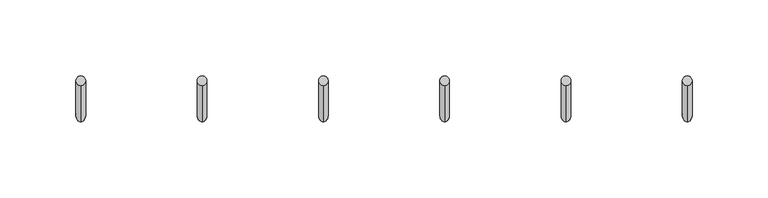
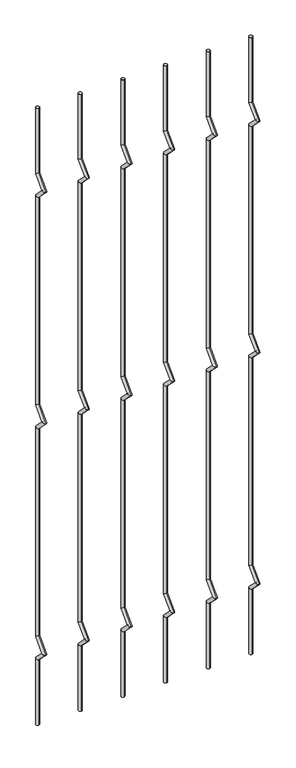
"""IFC4 building model written with IfcOpenShell, lengths in millimetres: railing geometry."""

from ifc_helpers import new_model, si_unit, frame, origin, place, context, project, spatial, circle_curve, ellipse_curve, source, transform, mapped, element, save
from ifc_brep_helpers import plane_surface, cylinder_surface, advanced_brep


def railing_db31a16c(model_context):
    return source(origin(), model_context, "Body", "AdvancedBrep", [
        advanced_brep(
        [(-16324.32938, 14808.5554142, 25.4), (-16324.32938, 14802.2054142, 25.4), (-16324.32938, 14802.2054142, 154.0342316), (-16324.32938, 14808.5554142, 156.6644878), (-16324.32938, 14778.4396458, 177.8), (-16324.32938, 14787.419902, 177.8), (-16324.32938, 14802.2054142, 201.5657684), (-16324.32938, 14808.5554142, 198.9355122), (-16324.32938, 14802.2054142, 611.2342316), (-16324.32938, 14808.5554142, 613.8644878), (-16324.32938, 14778.4396458, 635.0), (-16324.32938, 14787.419902, 635.0), (-16324.32938, 14802.2054142, 658.7657684), (-16324.32938, 14808.5554142, 656.1355122), (-16324.32938, 14802.2054142, 1068.4342316), (-16324.32938, 14808.5554142, 1071.0644878), (-16324.32938, 14778.4396458, 1092.2), (-16324.32938, 14787.419902, 1092.2), (-16324.32938, 14802.2054142, 1115.9657684), (-16324.32938, 14808.5554142, 1113.3355122), (-16324.32938, 14808.5554142, 1244.6), (-16324.32938, 14802.2054142, 1244.6)],
        [
            (0, 1, circle_curve(frame((-16324.32938, 14805.3804142, 25.4), z_axis=(0.0, 0.0, -1.0), x_axis=(0.0, -1.0, 0.0)), 3.175)),
            (1, 0, circle_curve(frame((-16324.32938, 14805.3804142, 25.4), z_axis=(0.0, 0.0, -1.0), x_axis=(0.0, -1.0, 0.0)), 3.175)),
            (1, 2),
            (2, 3, ellipse_curve(frame((-16324.32938, 14805.3804142, 155.3493597), z_axis=(0.0, 0.3826834323650955, -0.9238795325112844), x_axis=(0.0, -0.9238795325112845, -0.38268343236509544)), 3.4365952, 3.175)),
            (3, 0),
            (3, 2, ellipse_curve(frame((-16324.32938, 14805.3804142, 155.3493597), z_axis=(0.0, 0.3826834323650955, -0.9238795325112844), x_axis=(0.0, -0.9238795325112845, -0.38268343236509544)), 3.4365952, 3.175)),
            (2, 4),
            (4, 5, ellipse_curve(frame((-16324.32938, 14782.9297739, 177.8), z_axis=(0.0, 0.0, -1.0), x_axis=(0.0, 1.0, 0.0)), 4.4901281, 3.175)),
            (5, 3),
            (5, 4, ellipse_curve(frame((-16324.32938, 14782.9297739, 177.8), z_axis=(0.0, 0.0, -1.0), x_axis=(0.0, 1.0, 0.0)), 4.4901281, 3.175)),
            (4, 6),
            (6, 7, ellipse_curve(frame((-16324.32938, 14805.3804142, 200.2506403), z_axis=(0.0, -0.3826834323650839, -0.9238795325112892), x_axis=(0.0, -0.9238795325112893, 0.38268343236508373)), 3.4365952, 3.175)),
            (7, 5),
            (7, 6, ellipse_curve(frame((-16324.32938, 14805.3804142, 200.2506403), z_axis=(0.0, -0.3826834323650839, -0.9238795325112892), x_axis=(0.0, -0.9238795325112893, 0.38268343236508373)), 3.4365952, 3.175)),
            (6, 8),
            (8, 9, ellipse_curve(frame((-16324.32938, 14805.3804142, 612.5493597), z_axis=(0.0, 0.3826834323651024, -0.9238795325112816), x_axis=(0.0, -0.9238795325112816, -0.382683432365102)), 3.4365952, 3.175)),
            (9, 7),
            (9, 8, ellipse_curve(frame((-16324.32938, 14805.3804142, 612.5493597), z_axis=(0.0, 0.3826834323651024, -0.9238795325112816), x_axis=(0.0, -0.9238795325112816, -0.382683432365102)), 3.4365952, 3.175)),
            (8, 10),
            (10, 11, ellipse_curve(frame((-16324.32938, 14782.9297739, 635.0), z_axis=(0.0, 0.0, -1.0), x_axis=(0.0, 1.0, 0.0)), 4.4901281, 3.175)),
            (11, 9),
            (11, 10, ellipse_curve(frame((-16324.32938, 14782.9297739, 635.0), z_axis=(0.0, 0.0, -1.0), x_axis=(0.0, 1.0, 0.0)), 4.4901281, 3.175)),
            (10, 12),
            (12, 13, ellipse_curve(frame((-16324.32938, 14805.3804142, 657.4506403), z_axis=(0.0, -0.3826834323650771, -0.923879532511292), x_axis=(0.0, -0.9238795325112918, 0.3826834323650773)), 3.4365952, 3.175)),
            (13, 11),
            (13, 12, ellipse_curve(frame((-16324.32938, 14805.3804142, 657.4506403), z_axis=(0.0, -0.3826834323650771, -0.923879532511292), x_axis=(0.0, -0.9238795325112918, 0.3826834323650773)), 3.4365952, 3.175)),
            (12, 14),
            (14, 15, ellipse_curve(frame((-16324.32938, 14805.3804142, 1069.7493597), z_axis=(0.0, 0.3826834323650978, -0.9238795325112834), x_axis=(0.0, -0.9238795325112834, -0.382683432365098)), 3.4365952, 3.175)),
            (15, 13),
            (15, 14, ellipse_curve(frame((-16324.32938, 14805.3804142, 1069.7493597), z_axis=(0.0, 0.3826834323650978, -0.9238795325112834), x_axis=(0.0, -0.9238795325112834, -0.382683432365098)), 3.4365952, 3.175)),
            (14, 16),
            (16, 17, ellipse_curve(frame((-16324.32938, 14782.9297739, 1092.2), z_axis=(0.0, 0.0, -1.0), x_axis=(0.0, 1.0, 0.0)), 4.4901281, 3.175)),
            (17, 15),
            (17, 16, ellipse_curve(frame((-16324.32938, 14782.9297739, 1092.2), z_axis=(0.0, 0.0, -1.0), x_axis=(0.0, 1.0, 0.0)), 4.4901281, 3.175)),
            (16, 18),
            (18, 19, ellipse_curve(frame((-16324.32938, 14805.3804142, 1114.6506403), z_axis=(0.0, -0.38268343236508223, -0.9238795325112898), x_axis=(0.0, -0.92387953251129, 0.38268343236508207)), 3.4365952, 3.175)),
            (19, 17),
            (19, 18, ellipse_curve(frame((-16324.32938, 14805.3804142, 1114.6506403), z_axis=(0.0, -0.38268343236508223, -0.9238795325112898), x_axis=(0.0, -0.92387953251129, 0.38268343236508207)), 3.4365952, 3.175)),
            (20, 21, circle_curve(frame((-16324.32938, 14805.3804142, 1244.6), z_axis=(0.0, 0.0, 1.0), x_axis=(0.0, -1.0, 0.0)), 3.175)),
            (21, 20, circle_curve(frame((-16324.32938, 14805.3804142, 1244.6), z_axis=(0.0, 0.0, 1.0), x_axis=(0.0, -1.0, 0.0)), 3.175)),
            (18, 21),
            (20, 19),
        ],
        [
            plane_surface(frame((-16324.32938, 14805.3804142, 25.4), z_axis=(0.0, 0.0, -1.0), x_axis=(-1.0, 0.0, 0.0))),
            cylinder_surface(frame((-16324.32938, 14805.3804142, 25.4), z_axis=(0.0, 0.0, -1.0), x_axis=(0.0, -1.0, 0.0)), 3.175),
            cylinder_surface(frame((-16324.32938, 14805.3804142, 155.3493597), z_axis=(0.0, 0.7071067811865563, -0.7071067811865388), x_axis=(0.0, -0.7071067811865388, -0.7071067811865563)), 3.175),
            cylinder_surface(frame((-16324.32938, 14782.9297739, 177.8), z_axis=(0.0, -0.7071067811865385, -0.7071067811865568), x_axis=(0.0, -0.7071067811865568, 0.7071067811865385)), 3.175),
            cylinder_surface(frame((-16324.32938, 14805.3804142, 200.2506403), z_axis=(0.0, 0.0, -1.0), x_axis=(0.0, -1.0, 0.0)), 3.175),
            cylinder_surface(frame((-16324.32938, 14805.3804142, 612.5493597), z_axis=(0.0, 0.7071067811865669, -0.707106781186528), x_axis=(0.0, -0.707106781186528, -0.7071067811865669)), 3.175),
            cylinder_surface(frame((-16324.32938, 14782.9297739, 635.0), z_axis=(0.0, -0.7071067811865279, -0.7071067811865672), x_axis=(0.0, -0.7071067811865672, 0.7071067811865279)), 3.175),
            cylinder_surface(frame((-16324.32938, 14805.3804142, 657.4506403), z_axis=(0.0, 0.0, -1.0), x_axis=(0.0, -1.0, 0.0)), 3.175),
            cylinder_surface(frame((-16324.32938, 14805.3804142, 1069.7493597), z_axis=(0.0, 0.7071067811865601, -0.707106781186535), x_axis=(0.0, -0.707106781186535, -0.7071067811865601)), 3.175),
            cylinder_surface(frame((-16324.32938, 14782.9297739, 1092.2), z_axis=(0.0, -0.7071067811865356, -0.7071067811865596), x_axis=(0.0, -0.7071067811865596, 0.7071067811865356)), 3.175),
            plane_surface(frame((-16324.32938, 14805.3804142, 1244.6), z_axis=(0.0, 0.0, 1.0), x_axis=(-1.0, 0.0, 0.0))),
            cylinder_surface(frame((-16324.32938, 14805.3804142, 1114.6506403), z_axis=(0.0, 0.0, -1.0), x_axis=(0.0, -1.0, 0.0)), 3.175),
        ],
        [
            (0, [[1, 2]]),
            (1, [[3, 4, 5, -2]]),
            (1, [[-5, 6, -3, -1]]),
            (2, [[7, 8, 9, -4]]),
            (2, [[-9, 10, -7, -6]]),
            (3, [[11, 12, 13, -8]]),
            (3, [[-13, 14, -11, -10]]),
            (4, [[15, 16, 17, -12]]),
            (4, [[-17, 18, -15, -14]]),
            (5, [[19, 20, 21, -16]]),
            (5, [[-21, 22, -19, -18]]),
            (6, [[23, 24, 25, -20]]),
            (6, [[-25, 26, -23, -22]]),
            (7, [[27, 28, 29, -24]]),
            (7, [[-29, 30, -27, -26]]),
            (8, [[31, 32, 33, -28]]),
            (8, [[-33, 34, -31, -30]]),
            (9, [[35, 36, 37, -32]]),
            (9, [[-37, 38, -35, -34]]),
            (10, [[39, 40]]),
            (11, [[41, -39, 42, -36]]),
            (11, [[-42, -40, -41, -38]]),
        ],
    ),
        advanced_brep(
        [(-16244.4530642, 14808.5554142, 25.4), (-16244.4530642, 14802.2054142, 25.4), (-16244.4530642, 14802.2054142, 154.0342316), (-16244.4530642, 14808.5554142, 156.6644878), (-16244.4530642, 14778.4396458, 177.8), (-16244.4530642, 14787.419902, 177.8), (-16244.4530642, 14802.2054142, 201.5657684), (-16244.4530642, 14808.5554142, 198.9355122), (-16244.4530642, 14802.2054142, 611.2342316), (-16244.4530642, 14808.5554142, 613.8644878), (-16244.4530642, 14778.4396458, 635.0), (-16244.4530642, 14787.419902, 635.0), (-16244.4530642, 14802.2054142, 658.7657684), (-16244.4530642, 14808.5554142, 656.1355122), (-16244.4530642, 14802.2054142, 1068.4342316), (-16244.4530642, 14808.5554142, 1071.0644878), (-16244.4530642, 14778.4396458, 1092.2), (-16244.4530642, 14787.419902, 1092.2), (-16244.4530642, 14802.2054142, 1115.9657684), (-16244.4530642, 14808.5554142, 1113.3355122), (-16244.4530642, 14808.5554142, 1244.6), (-16244.4530642, 14802.2054142, 1244.6)],
        [
            (0, 1, circle_curve(frame((-16244.4530642, 14805.3804142, 25.4), z_axis=(0.0, 0.0, -1.0), x_axis=(0.0, -1.0, 0.0)), 3.175)),
            (1, 0, circle_curve(frame((-16244.4530642, 14805.3804142, 25.4), z_axis=(0.0, 0.0, -1.0), x_axis=(0.0, -1.0, 0.0)), 3.175)),
            (1, 2),
            (2, 3, ellipse_curve(frame((-16244.4530642, 14805.3804142, 155.3493597), z_axis=(0.0, 0.3826834323650955, -0.9238795325112844), x_axis=(0.0, -0.9238795325112845, -0.38268343236509544)), 3.4365952, 3.175)),
            (3, 0),
            (3, 2, ellipse_curve(frame((-16244.4530642, 14805.3804142, 155.3493597), z_axis=(0.0, 0.3826834323650955, -0.9238795325112844), x_axis=(0.0, -0.9238795325112845, -0.38268343236509544)), 3.4365952, 3.175)),
            (2, 4),
            (4, 5, ellipse_curve(frame((-16244.4530642, 14782.9297739, 177.8), z_axis=(0.0, 0.0, -1.0), x_axis=(0.0, 1.0, 0.0)), 4.4901281, 3.175)),
            (5, 3),
            (5, 4, ellipse_curve(frame((-16244.4530642, 14782.9297739, 177.8), z_axis=(0.0, 0.0, -1.0), x_axis=(0.0, 1.0, 0.0)), 4.4901281, 3.175)),
            (4, 6),
            (6, 7, ellipse_curve(frame((-16244.4530642, 14805.3804142, 200.2506403), z_axis=(0.0, -0.3826834323650839, -0.9238795325112892), x_axis=(0.0, -0.9238795325112893, 0.38268343236508373)), 3.4365952, 3.175)),
            (7, 5),
            (7, 6, ellipse_curve(frame((-16244.4530642, 14805.3804142, 200.2506403), z_axis=(0.0, -0.3826834323650839, -0.9238795325112892), x_axis=(0.0, -0.9238795325112893, 0.38268343236508373)), 3.4365952, 3.175)),
            (6, 8),
            (8, 9, ellipse_curve(frame((-16244.4530642, 14805.3804142, 612.5493597), z_axis=(0.0, 0.3826834323651024, -0.9238795325112816), x_axis=(0.0, -0.9238795325112816, -0.382683432365102)), 3.4365952, 3.175)),
            (9, 7),
            (9, 8, ellipse_curve(frame((-16244.4530642, 14805.3804142, 612.5493597), z_axis=(0.0, 0.3826834323651024, -0.9238795325112816), x_axis=(0.0, -0.9238795325112816, -0.382683432365102)), 3.4365952, 3.175)),
            (8, 10),
            (10, 11, ellipse_curve(frame((-16244.4530642, 14782.9297739, 635.0), z_axis=(0.0, 0.0, -1.0), x_axis=(0.0, 1.0, 0.0)), 4.4901281, 3.175)),
            (11, 9),
            (11, 10, ellipse_curve(frame((-16244.4530642, 14782.9297739, 635.0), z_axis=(0.0, 0.0, -1.0), x_axis=(0.0, 1.0, 0.0)), 4.4901281, 3.175)),
            (10, 12),
            (12, 13, ellipse_curve(frame((-16244.4530642, 14805.3804142, 657.4506403), z_axis=(0.0, -0.3826834323650771, -0.923879532511292), x_axis=(0.0, -0.9238795325112918, 0.3826834323650773)), 3.4365952, 3.175)),
            (13, 11),
            (13, 12, ellipse_curve(frame((-16244.4530642, 14805.3804142, 657.4506403), z_axis=(0.0, -0.3826834323650771, -0.923879532511292), x_axis=(0.0, -0.9238795325112918, 0.3826834323650773)), 3.4365952, 3.175)),
            (12, 14),
            (14, 15, ellipse_curve(frame((-16244.4530642, 14805.3804142, 1069.7493597), z_axis=(0.0, 0.3826834323650978, -0.9238795325112834), x_axis=(0.0, -0.9238795325112834, -0.382683432365098)), 3.4365952, 3.175)),
            (15, 13),
            (15, 14, ellipse_curve(frame((-16244.4530642, 14805.3804142, 1069.7493597), z_axis=(0.0, 0.3826834323650978, -0.9238795325112834), x_axis=(0.0, -0.9238795325112834, -0.382683432365098)), 3.4365952, 3.175)),
            (14, 16),
            (16, 17, ellipse_curve(frame((-16244.4530642, 14782.9297739, 1092.2), z_axis=(0.0, 0.0, -1.0), x_axis=(0.0, 1.0, 0.0)), 4.4901281, 3.175)),
            (17, 15),
            (17, 16, ellipse_curve(frame((-16244.4530642, 14782.9297739, 1092.2), z_axis=(0.0, 0.0, -1.0), x_axis=(0.0, 1.0, 0.0)), 4.4901281, 3.175)),
            (16, 18),
            (18, 19, ellipse_curve(frame((-16244.4530642, 14805.3804142, 1114.6506403), z_axis=(0.0, -0.38268343236508223, -0.9238795325112898), x_axis=(0.0, -0.92387953251129, 0.38268343236508207)), 3.4365952, 3.175)),
            (19, 17),
            (19, 18, ellipse_curve(frame((-16244.4530642, 14805.3804142, 1114.6506403), z_axis=(0.0, -0.38268343236508223, -0.9238795325112898), x_axis=(0.0, -0.92387953251129, 0.38268343236508207)), 3.4365952, 3.175)),
            (20, 21, circle_curve(frame((-16244.4530642, 14805.3804142, 1244.6), z_axis=(0.0, 0.0, 1.0), x_axis=(0.0, -1.0, 0.0)), 3.175)),
            (21, 20, circle_curve(frame((-16244.4530642, 14805.3804142, 1244.6), z_axis=(0.0, 0.0, 1.0), x_axis=(0.0, -1.0, 0.0)), 3.175)),
            (18, 21),
            (20, 19),
        ],
        [
            plane_surface(frame((-16244.4530642, 14805.3804142, 25.4), z_axis=(0.0, 0.0, -1.0), x_axis=(-1.0, 0.0, 0.0))),
            cylinder_surface(frame((-16244.4530642, 14805.3804142, 25.4), z_axis=(0.0, 0.0, -1.0), x_axis=(0.0, -1.0, 0.0)), 3.175),
            cylinder_surface(frame((-16244.4530642, 14805.3804142, 155.3493597), z_axis=(0.0, 0.7071067811865563, -0.7071067811865388), x_axis=(0.0, -0.7071067811865388, -0.7071067811865563)), 3.175),
            cylinder_surface(frame((-16244.4530642, 14782.9297739, 177.8), z_axis=(0.0, -0.7071067811865385, -0.7071067811865568), x_axis=(0.0, -0.7071067811865568, 0.7071067811865385)), 3.175),
            cylinder_surface(frame((-16244.4530642, 14805.3804142, 200.2506403), z_axis=(0.0, 0.0, -1.0), x_axis=(0.0, -1.0, 0.0)), 3.175),
            cylinder_surface(frame((-16244.4530642, 14805.3804142, 612.5493597), z_axis=(0.0, 0.7071067811865669, -0.707106781186528), x_axis=(0.0, -0.707106781186528, -0.7071067811865669)), 3.175),
            cylinder_surface(frame((-16244.4530642, 14782.9297739, 635.0), z_axis=(0.0, -0.7071067811865279, -0.7071067811865672), x_axis=(0.0, -0.7071067811865672, 0.7071067811865279)), 3.175),
            cylinder_surface(frame((-16244.4530642, 14805.3804142, 657.4506403), z_axis=(0.0, 0.0, -1.0), x_axis=(0.0, -1.0, 0.0)), 3.175),
            cylinder_surface(frame((-16244.4530642, 14805.3804142, 1069.7493597), z_axis=(0.0, 0.7071067811865601, -0.707106781186535), x_axis=(0.0, -0.707106781186535, -0.7071067811865601)), 3.175),
            cylinder_surface(frame((-16244.4530642, 14782.9297739, 1092.2), z_axis=(0.0, -0.7071067811865356, -0.7071067811865596), x_axis=(0.0, -0.7071067811865596, 0.7071067811865356)), 3.175),
            plane_surface(frame((-16244.4530642, 14805.3804142, 1244.6), z_axis=(0.0, 0.0, 1.0), x_axis=(-1.0, 0.0, 0.0))),
            cylinder_surface(frame((-16244.4530642, 14805.3804142, 1114.6506403), z_axis=(0.0, 0.0, -1.0), x_axis=(0.0, -1.0, 0.0)), 3.175),
        ],
        [
            (0, [[1, 2]]),
            (1, [[3, 4, 5, -2]]),
            (1, [[-5, 6, -3, -1]]),
            (2, [[7, 8, 9, -4]]),
            (2, [[-9, 10, -7, -6]]),
            (3, [[11, 12, 13, -8]]),
            (3, [[-13, 14, -11, -10]]),
            (4, [[15, 16, 17, -12]]),
            (4, [[-17, 18, -15, -14]]),
            (5, [[19, 20, 21, -16]]),
            (5, [[-21, 22, -19, -18]]),
            (6, [[23, 24, 25, -20]]),
            (6, [[-25, 26, -23, -22]]),
            (7, [[27, 28, 29, -24]]),
            (7, [[-29, 30, -27, -26]]),
            (8, [[31, 32, 33, -28]]),
            (8, [[-33, 34, -31, -30]]),
            (9, [[35, 36, 37, -32]]),
            (9, [[-37, 38, -35, -34]]),
            (10, [[39, 40]]),
            (11, [[41, -39, 42, -36]]),
            (11, [[-42, -40, -41, -38]]),
        ],
    ),
        advanced_brep(
        [(-16164.5767484, 14808.5554142, 25.4), (-16164.5767484, 14802.2054142, 25.4), (-16164.5767484, 14802.2054142, 154.0342316), (-16164.5767484, 14808.5554142, 156.6644878), (-16164.5767484, 14778.4396458, 177.8), (-16164.5767484, 14787.419902, 177.8), (-16164.5767484, 14802.2054142, 201.5657684), (-16164.5767484, 14808.5554142, 198.9355122), (-16164.5767484, 14802.2054142, 611.2342316), (-16164.5767484, 14808.5554142, 613.8644878), (-16164.5767484, 14778.4396458, 635.0), (-16164.5767484, 14787.419902, 635.0), (-16164.5767484, 14802.2054142, 658.7657684), (-16164.5767484, 14808.5554142, 656.1355122), (-16164.5767484, 14802.2054142, 1068.4342316), (-16164.5767484, 14808.5554142, 1071.0644878), (-16164.5767484, 14778.4396458, 1092.2), (-16164.5767484, 14787.419902, 1092.2), (-16164.5767484, 14802.2054142, 1115.9657684), (-16164.5767484, 14808.5554142, 1113.3355122), (-16164.5767484, 14808.5554142, 1244.6), (-16164.5767484, 14802.2054142, 1244.6)],
        [
            (0, 1, circle_curve(frame((-16164.5767484, 14805.3804142, 25.4), z_axis=(0.0, 0.0, -1.0), x_axis=(0.0, -1.0, 0.0)), 3.175)),
            (1, 0, circle_curve(frame((-16164.5767484, 14805.3804142, 25.4), z_axis=(0.0, 0.0, -1.0), x_axis=(0.0, -1.0, 0.0)), 3.175)),
            (1, 2),
            (2, 3, ellipse_curve(frame((-16164.5767484, 14805.3804142, 155.3493597), z_axis=(0.0, 0.3826834323650955, -0.9238795325112844), x_axis=(0.0, -0.9238795325112845, -0.38268343236509544)), 3.4365952, 3.175)),
            (3, 0),
            (3, 2, ellipse_curve(frame((-16164.5767484, 14805.3804142, 155.3493597), z_axis=(0.0, 0.3826834323650955, -0.9238795325112844), x_axis=(0.0, -0.9238795325112845, -0.38268343236509544)), 3.4365952, 3.175)),
            (2, 4),
            (4, 5, ellipse_curve(frame((-16164.5767484, 14782.9297739, 177.8), z_axis=(0.0, 0.0, -1.0), x_axis=(0.0, 1.0, 0.0)), 4.4901281, 3.175)),
            (5, 3),
            (5, 4, ellipse_curve(frame((-16164.5767484, 14782.9297739, 177.8), z_axis=(0.0, 0.0, -1.0), x_axis=(0.0, 1.0, 0.0)), 4.4901281, 3.175)),
            (4, 6),
            (6, 7, ellipse_curve(frame((-16164.5767484, 14805.3804142, 200.2506403), z_axis=(0.0, -0.3826834323650839, -0.9238795325112892), x_axis=(0.0, -0.9238795325112893, 0.38268343236508373)), 3.4365952, 3.175)),
            (7, 5),
            (7, 6, ellipse_curve(frame((-16164.5767484, 14805.3804142, 200.2506403), z_axis=(0.0, -0.3826834323650839, -0.9238795325112892), x_axis=(0.0, -0.9238795325112893, 0.38268343236508373)), 3.4365952, 3.175)),
            (6, 8),
            (8, 9, ellipse_curve(frame((-16164.5767484, 14805.3804142, 612.5493597), z_axis=(0.0, 0.3826834323651024, -0.9238795325112816), x_axis=(0.0, -0.9238795325112816, -0.382683432365102)), 3.4365952, 3.175)),
            (9, 7),
            (9, 8, ellipse_curve(frame((-16164.5767484, 14805.3804142, 612.5493597), z_axis=(0.0, 0.3826834323651024, -0.9238795325112816), x_axis=(0.0, -0.9238795325112816, -0.382683432365102)), 3.4365952, 3.175)),
            (8, 10),
            (10, 11, ellipse_curve(frame((-16164.5767484, 14782.9297739, 635.0), z_axis=(0.0, 0.0, -1.0), x_axis=(0.0, 1.0, 0.0)), 4.4901281, 3.175)),
            (11, 9),
            (11, 10, ellipse_curve(frame((-16164.5767484, 14782.9297739, 635.0), z_axis=(0.0, 0.0, -1.0), x_axis=(0.0, 1.0, 0.0)), 4.4901281, 3.175)),
            (10, 12),
            (12, 13, ellipse_curve(frame((-16164.5767484, 14805.3804142, 657.4506403), z_axis=(0.0, -0.3826834323650771, -0.923879532511292), x_axis=(0.0, -0.9238795325112918, 0.3826834323650773)), 3.4365952, 3.175)),
            (13, 11),
            (13, 12, ellipse_curve(frame((-16164.5767484, 14805.3804142, 657.4506403), z_axis=(0.0, -0.3826834323650771, -0.923879532511292), x_axis=(0.0, -0.9238795325112918, 0.3826834323650773)), 3.4365952, 3.175)),
            (12, 14),
            (14, 15, ellipse_curve(frame((-16164.5767484, 14805.3804142, 1069.7493597), z_axis=(0.0, 0.3826834323650978, -0.9238795325112834), x_axis=(0.0, -0.9238795325112834, -0.382683432365098)), 3.4365952, 3.175)),
            (15, 13),
            (15, 14, ellipse_curve(frame((-16164.5767484, 14805.3804142, 1069.7493597), z_axis=(0.0, 0.3826834323650978, -0.9238795325112834), x_axis=(0.0, -0.9238795325112834, -0.382683432365098)), 3.4365952, 3.175)),
            (14, 16),
            (16, 17, ellipse_curve(frame((-16164.5767484, 14782.9297739, 1092.2), z_axis=(0.0, 0.0, -1.0), x_axis=(0.0, 1.0, 0.0)), 4.4901281, 3.175)),
            (17, 15),
            (17, 16, ellipse_curve(frame((-16164.5767484, 14782.9297739, 1092.2), z_axis=(0.0, 0.0, -1.0), x_axis=(0.0, 1.0, 0.0)), 4.4901281, 3.175)),
            (16, 18),
            (18, 19, ellipse_curve(frame((-16164.5767484, 14805.3804142, 1114.6506403), z_axis=(0.0, -0.38268343236508223, -0.9238795325112898), x_axis=(0.0, -0.92387953251129, 0.38268343236508207)), 3.4365952, 3.175)),
            (19, 17),
            (19, 18, ellipse_curve(frame((-16164.5767484, 14805.3804142, 1114.6506403), z_axis=(0.0, -0.38268343236508223, -0.9238795325112898), x_axis=(0.0, -0.92387953251129, 0.38268343236508207)), 3.4365952, 3.175)),
            (20, 21, circle_curve(frame((-16164.5767484, 14805.3804142, 1244.6), z_axis=(0.0, 0.0, 1.0), x_axis=(0.0, -1.0, 0.0)), 3.175)),
            (21, 20, circle_curve(frame((-16164.5767484, 14805.3804142, 1244.6), z_axis=(0.0, 0.0, 1.0), x_axis=(0.0, -1.0, 0.0)), 3.175)),
            (18, 21),
            (20, 19),
        ],
        [
            plane_surface(frame((-16164.5767484, 14805.3804142, 25.4), z_axis=(0.0, 0.0, -1.0), x_axis=(-1.0, 0.0, 0.0))),
            cylinder_surface(frame((-16164.5767484, 14805.3804142, 25.4), z_axis=(0.0, 0.0, -1.0), x_axis=(0.0, -1.0, 0.0)), 3.175),
            cylinder_surface(frame((-16164.5767484, 14805.3804142, 155.3493597), z_axis=(0.0, 0.7071067811865563, -0.7071067811865388), x_axis=(0.0, -0.7071067811865388, -0.7071067811865563)), 3.175),
            cylinder_surface(frame((-16164.5767484, 14782.9297739, 177.8), z_axis=(0.0, -0.7071067811865385, -0.7071067811865568), x_axis=(0.0, -0.7071067811865568, 0.7071067811865385)), 3.175),
            cylinder_surface(frame((-16164.5767484, 14805.3804142, 200.2506403), z_axis=(0.0, 0.0, -1.0), x_axis=(0.0, -1.0, 0.0)), 3.175),
            cylinder_surface(frame((-16164.5767484, 14805.3804142, 612.5493597), z_axis=(0.0, 0.7071067811865669, -0.707106781186528), x_axis=(0.0, -0.707106781186528, -0.7071067811865669)), 3.175),
            cylinder_surface(frame((-16164.5767484, 14782.9297739, 635.0), z_axis=(0.0, -0.7071067811865279, -0.7071067811865672), x_axis=(0.0, -0.7071067811865672, 0.7071067811865279)), 3.175),
            cylinder_surface(frame((-16164.5767484, 14805.3804142, 657.4506403), z_axis=(0.0, 0.0, -1.0), x_axis=(0.0, -1.0, 0.0)), 3.175),
            cylinder_surface(frame((-16164.5767484, 14805.3804142, 1069.7493597), z_axis=(0.0, 0.7071067811865601, -0.707106781186535), x_axis=(0.0, -0.707106781186535, -0.7071067811865601)), 3.175),
            cylinder_surface(frame((-16164.5767484, 14782.9297739, 1092.2), z_axis=(0.0, -0.7071067811865356, -0.7071067811865596), x_axis=(0.0, -0.7071067811865596, 0.7071067811865356)), 3.175),
            plane_surface(frame((-16164.5767484, 14805.3804142, 1244.6), z_axis=(0.0, 0.0, 1.0), x_axis=(-1.0, 0.0, 0.0))),
            cylinder_surface(frame((-16164.5767484, 14805.3804142, 1114.6506403), z_axis=(0.0, 0.0, -1.0), x_axis=(0.0, -1.0, 0.0)), 3.175),
        ],
        [
            (0, [[1, 2]]),
            (1, [[3, 4, 5, -2]]),
            (1, [[-5, 6, -3, -1]]),
            (2, [[7, 8, 9, -4]]),
            (2, [[-9, 10, -7, -6]]),
            (3, [[11, 12, 13, -8]]),
            (3, [[-13, 14, -11, -10]]),
            (4, [[15, 16, 17, -12]]),
            (4, [[-17, 18, -15, -14]]),
            (5, [[19, 20, 21, -16]]),
            (5, [[-21, 22, -19, -18]]),
            (6, [[23, 24, 25, -20]]),
            (6, [[-25, 26, -23, -22]]),
            (7, [[27, 28, 29, -24]]),
            (7, [[-29, 30, -27, -26]]),
            (8, [[31, 32, 33, -28]]),
            (8, [[-33, 34, -31, -30]]),
            (9, [[35, 36, 37, -32]]),
            (9, [[-37, 38, -35, -34]]),
            (10, [[39, 40]]),
            (11, [[41, -39, 42, -36]]),
            (11, [[-42, -40, -41, -38]]),
        ],
    ),
        advanced_brep(
        [(-16084.7004326, 14808.5554142, 25.4), (-16084.7004326, 14802.2054142, 25.4), (-16084.7004326, 14802.2054142, 154.0342316), (-16084.7004326, 14808.5554142, 156.6644878), (-16084.7004326, 14778.4396458, 177.8), (-16084.7004326, 14787.419902, 177.8), (-16084.7004326, 14802.2054142, 201.5657684), (-16084.7004326, 14808.5554142, 198.9355122), (-16084.7004326, 14802.2054142, 611.2342316), (-16084.7004326, 14808.5554142, 613.8644878), (-16084.7004326, 14778.4396458, 635.0), (-16084.7004326, 14787.419902, 635.0), (-16084.7004326, 14802.2054142, 658.7657684), (-16084.7004326, 14808.5554142, 656.1355122), (-16084.7004326, 14802.2054142, 1068.4342316), (-16084.7004326, 14808.5554142, 1071.0644878), (-16084.7004326, 14778.4396458, 1092.2), (-16084.7004326, 14787.419902, 1092.2), (-16084.7004326, 14802.2054142, 1115.9657684), (-16084.7004326, 14808.5554142, 1113.3355122), (-16084.7004326, 14808.5554142, 1244.6), (-16084.7004326, 14802.2054142, 1244.6)],
        [
            (0, 1, circle_curve(frame((-16084.7004326, 14805.3804142, 25.4), z_axis=(0.0, 0.0, -1.0), x_axis=(0.0, -1.0, 0.0)), 3.175)),
            (1, 0, circle_curve(frame((-16084.7004326, 14805.3804142, 25.4), z_axis=(0.0, 0.0, -1.0), x_axis=(0.0, -1.0, 0.0)), 3.175)),
            (1, 2),
            (2, 3, ellipse_curve(frame((-16084.7004326, 14805.3804142, 155.3493597), z_axis=(0.0, 0.3826834323650955, -0.9238795325112844), x_axis=(0.0, -0.9238795325112845, -0.38268343236509544)), 3.4365952, 3.175)),
            (3, 0),
            (3, 2, ellipse_curve(frame((-16084.7004326, 14805.3804142, 155.3493597), z_axis=(0.0, 0.3826834323650955, -0.9238795325112844), x_axis=(0.0, -0.9238795325112845, -0.38268343236509544)), 3.4365952, 3.175)),
            (2, 4),
            (4, 5, ellipse_curve(frame((-16084.7004326, 14782.9297739, 177.8), z_axis=(0.0, 0.0, -1.0), x_axis=(0.0, 1.0, 0.0)), 4.4901281, 3.175)),
            (5, 3),
            (5, 4, ellipse_curve(frame((-16084.7004326, 14782.9297739, 177.8), z_axis=(0.0, 0.0, -1.0), x_axis=(0.0, 1.0, 0.0)), 4.4901281, 3.175)),
            (4, 6),
            (6, 7, ellipse_curve(frame((-16084.7004326, 14805.3804142, 200.2506403), z_axis=(0.0, -0.3826834323650839, -0.9238795325112892), x_axis=(0.0, -0.9238795325112893, 0.38268343236508373)), 3.4365952, 3.175)),
            (7, 5),
            (7, 6, ellipse_curve(frame((-16084.7004326, 14805.3804142, 200.2506403), z_axis=(0.0, -0.3826834323650839, -0.9238795325112892), x_axis=(0.0, -0.9238795325112893, 0.38268343236508373)), 3.4365952, 3.175)),
            (6, 8),
            (8, 9, ellipse_curve(frame((-16084.7004326, 14805.3804142, 612.5493597), z_axis=(0.0, 0.3826834323651024, -0.9238795325112816), x_axis=(0.0, -0.9238795325112816, -0.382683432365102)), 3.4365952, 3.175)),
            (9, 7),
            (9, 8, ellipse_curve(frame((-16084.7004326, 14805.3804142, 612.5493597), z_axis=(0.0, 0.3826834323651024, -0.9238795325112816), x_axis=(0.0, -0.9238795325112816, -0.382683432365102)), 3.4365952, 3.175)),
            (8, 10),
            (10, 11, ellipse_curve(frame((-16084.7004326, 14782.9297739, 635.0), z_axis=(0.0, 0.0, -1.0), x_axis=(0.0, 1.0, 0.0)), 4.4901281, 3.175)),
            (11, 9),
            (11, 10, ellipse_curve(frame((-16084.7004326, 14782.9297739, 635.0), z_axis=(0.0, 0.0, -1.0), x_axis=(0.0, 1.0, 0.0)), 4.4901281, 3.175)),
            (10, 12),
            (12, 13, ellipse_curve(frame((-16084.7004326, 14805.3804142, 657.4506403), z_axis=(0.0, -0.3826834323650771, -0.923879532511292), x_axis=(0.0, -0.9238795325112918, 0.3826834323650773)), 3.4365952, 3.175)),
            (13, 11),
            (13, 12, ellipse_curve(frame((-16084.7004326, 14805.3804142, 657.4506403), z_axis=(0.0, -0.3826834323650771, -0.923879532511292), x_axis=(0.0, -0.9238795325112918, 0.3826834323650773)), 3.4365952, 3.175)),
            (12, 14),
            (14, 15, ellipse_curve(frame((-16084.7004326, 14805.3804142, 1069.7493597), z_axis=(0.0, 0.3826834323650978, -0.9238795325112834), x_axis=(0.0, -0.9238795325112834, -0.382683432365098)), 3.4365952, 3.175)),
            (15, 13),
            (15, 14, ellipse_curve(frame((-16084.7004326, 14805.3804142, 1069.7493597), z_axis=(0.0, 0.3826834323650978, -0.9238795325112834), x_axis=(0.0, -0.9238795325112834, -0.382683432365098)), 3.4365952, 3.175)),
            (14, 16),
            (16, 17, ellipse_curve(frame((-16084.7004326, 14782.9297739, 1092.2), z_axis=(0.0, 0.0, -1.0), x_axis=(0.0, 1.0, 0.0)), 4.4901281, 3.175)),
            (17, 15),
            (17, 16, ellipse_curve(frame((-16084.7004326, 14782.9297739, 1092.2), z_axis=(0.0, 0.0, -1.0), x_axis=(0.0, 1.0, 0.0)), 4.4901281, 3.175)),
            (16, 18),
            (18, 19, ellipse_curve(frame((-16084.7004326, 14805.3804142, 1114.6506403), z_axis=(0.0, -0.38268343236508223, -0.9238795325112898), x_axis=(0.0, -0.92387953251129, 0.38268343236508207)), 3.4365952, 3.175)),
            (19, 17),
            (19, 18, ellipse_curve(frame((-16084.7004326, 14805.3804142, 1114.6506403), z_axis=(0.0, -0.38268343236508223, -0.9238795325112898), x_axis=(0.0, -0.92387953251129, 0.38268343236508207)), 3.4365952, 3.175)),
            (20, 21, circle_curve(frame((-16084.7004326, 14805.3804142, 1244.6), z_axis=(0.0, 0.0, 1.0), x_axis=(0.0, -1.0, 0.0)), 3.175)),
            (21, 20, circle_curve(frame((-16084.7004326, 14805.3804142, 1244.6), z_axis=(0.0, 0.0, 1.0), x_axis=(0.0, -1.0, 0.0)), 3.175)),
            (18, 21),
            (20, 19),
        ],
        [
            plane_surface(frame((-16084.7004326, 14805.3804142, 25.4), z_axis=(0.0, 0.0, -1.0), x_axis=(-1.0, 0.0, 0.0))),
            cylinder_surface(frame((-16084.7004326, 14805.3804142, 25.4), z_axis=(0.0, 0.0, -1.0), x_axis=(0.0, -1.0, 0.0)), 3.175),
            cylinder_surface(frame((-16084.7004326, 14805.3804142, 155.3493597), z_axis=(0.0, 0.7071067811865563, -0.7071067811865388), x_axis=(0.0, -0.7071067811865388, -0.7071067811865563)), 3.175),
            cylinder_surface(frame((-16084.7004326, 14782.9297739, 177.8), z_axis=(0.0, -0.7071067811865385, -0.7071067811865568), x_axis=(0.0, -0.7071067811865568, 0.7071067811865385)), 3.175),
            cylinder_surface(frame((-16084.7004326, 14805.3804142, 200.2506403), z_axis=(0.0, 0.0, -1.0), x_axis=(0.0, -1.0, 0.0)), 3.175),
            cylinder_surface(frame((-16084.7004326, 14805.3804142, 612.5493597), z_axis=(0.0, 0.7071067811865669, -0.707106781186528), x_axis=(0.0, -0.707106781186528, -0.7071067811865669)), 3.175),
            cylinder_surface(frame((-16084.7004326, 14782.9297739, 635.0), z_axis=(0.0, -0.7071067811865279, -0.7071067811865672), x_axis=(0.0, -0.7071067811865672, 0.7071067811865279)), 3.175),
            cylinder_surface(frame((-16084.7004326, 14805.3804142, 657.4506403), z_axis=(0.0, 0.0, -1.0), x_axis=(0.0, -1.0, 0.0)), 3.175),
            cylinder_surface(frame((-16084.7004326, 14805.3804142, 1069.7493597), z_axis=(0.0, 0.7071067811865601, -0.707106781186535), x_axis=(0.0, -0.707106781186535, -0.7071067811865601)), 3.175),
            cylinder_surface(frame((-16084.7004326, 14782.9297739, 1092.2), z_axis=(0.0, -0.7071067811865356, -0.7071067811865596), x_axis=(0.0, -0.7071067811865596, 0.7071067811865356)), 3.175),
            plane_surface(frame((-16084.7004326, 14805.3804142, 1244.6), z_axis=(0.0, 0.0, 1.0), x_axis=(-1.0, 0.0, 0.0))),
            cylinder_surface(frame((-16084.7004326, 14805.3804142, 1114.6506403), z_axis=(0.0, 0.0, -1.0), x_axis=(0.0, -1.0, 0.0)), 3.175),
        ],
        [
            (0, [[1, 2]]),
            (1, [[3, 4, 5, -2]]),
            (1, [[-5, 6, -3, -1]]),
            (2, [[7, 8, 9, -4]]),
            (2, [[-9, 10, -7, -6]]),
            (3, [[11, 12, 13, -8]]),
            (3, [[-13, 14, -11, -10]]),
            (4, [[15, 16, 17, -12]]),
            (4, [[-17, 18, -15, -14]]),
            (5, [[19, 20, 21, -16]]),
            (5, [[-21, 22, -19, -18]]),
            (6, [[23, 24, 25, -20]]),
            (6, [[-25, 26, -23, -22]]),
            (7, [[27, 28, 29, -24]]),
            (7, [[-29, 30, -27, -26]]),
            (8, [[31, 32, 33, -28]]),
            (8, [[-33, 34, -31, -30]]),
            (9, [[35, 36, 37, -32]]),
            (9, [[-37, 38, -35, -34]]),
            (10, [[39, 40]]),
            (11, [[41, -39, 42, -36]]),
            (11, [[-42, -40, -41, -38]]),
        ],
    ),
        advanced_brep(
        [(-16004.8241168, 14808.5554142, 25.4), (-16004.8241168, 14802.2054142, 25.4), (-16004.8241168, 14802.2054142, 154.0342316), (-16004.8241168, 14808.5554142, 156.6644878), (-16004.8241168, 14778.4396458, 177.8), (-16004.8241168, 14787.419902, 177.8), (-16004.8241168, 14802.2054142, 201.5657684), (-16004.8241168, 14808.5554142, 198.9355122), (-16004.8241168, 14802.2054142, 611.2342316), (-16004.8241168, 14808.5554142, 613.8644878), (-16004.8241168, 14778.4396458, 635.0), (-16004.8241168, 14787.419902, 635.0), (-16004.8241168, 14802.2054142, 658.7657684), (-16004.8241168, 14808.5554142, 656.1355122), (-16004.8241168, 14802.2054142, 1068.4342316), (-16004.8241168, 14808.5554142, 1071.0644878), (-16004.8241168, 14778.4396458, 1092.2), (-16004.8241168, 14787.419902, 1092.2), (-16004.8241168, 14802.2054142, 1115.9657684), (-16004.8241168, 14808.5554142, 1113.3355122), (-16004.8241168, 14808.5554142, 1244.6), (-16004.8241168, 14802.2054142, 1244.6)],
        [
            (0, 1, circle_curve(frame((-16004.8241168, 14805.3804142, 25.4), z_axis=(0.0, 0.0, -1.0), x_axis=(0.0, -1.0, 0.0)), 3.175)),
            (1, 0, circle_curve(frame((-16004.8241168, 14805.3804142, 25.4), z_axis=(0.0, 0.0, -1.0), x_axis=(0.0, -1.0, 0.0)), 3.175)),
            (1, 2),
            (2, 3, ellipse_curve(frame((-16004.8241168, 14805.3804142, 155.3493597), z_axis=(0.0, 0.3826834323650955, -0.9238795325112844), x_axis=(0.0, -0.9238795325112845, -0.38268343236509544)), 3.4365952, 3.175)),
            (3, 0),
            (3, 2, ellipse_curve(frame((-16004.8241168, 14805.3804142, 155.3493597), z_axis=(0.0, 0.3826834323650955, -0.9238795325112844), x_axis=(0.0, -0.9238795325112845, -0.38268343236509544)), 3.4365952, 3.175)),
            (2, 4),
            (4, 5, ellipse_curve(frame((-16004.8241168, 14782.9297739, 177.8), z_axis=(0.0, 0.0, -1.0), x_axis=(0.0, 1.0, 0.0)), 4.4901281, 3.175)),
            (5, 3),
            (5, 4, ellipse_curve(frame((-16004.8241168, 14782.9297739, 177.8), z_axis=(0.0, 0.0, -1.0), x_axis=(0.0, 1.0, 0.0)), 4.4901281, 3.175)),
            (4, 6),
            (6, 7, ellipse_curve(frame((-16004.8241168, 14805.3804142, 200.2506403), z_axis=(0.0, -0.3826834323650839, -0.9238795325112892), x_axis=(0.0, -0.9238795325112893, 0.38268343236508373)), 3.4365952, 3.175)),
            (7, 5),
            (7, 6, ellipse_curve(frame((-16004.8241168, 14805.3804142, 200.2506403), z_axis=(0.0, -0.3826834323650839, -0.9238795325112892), x_axis=(0.0, -0.9238795325112893, 0.38268343236508373)), 3.4365952, 3.175)),
            (6, 8),
            (8, 9, ellipse_curve(frame((-16004.8241168, 14805.3804142, 612.5493597), z_axis=(0.0, 0.3826834323651024, -0.9238795325112816), x_axis=(0.0, -0.9238795325112816, -0.382683432365102)), 3.4365952, 3.175)),
            (9, 7),
            (9, 8, ellipse_curve(frame((-16004.8241168, 14805.3804142, 612.5493597), z_axis=(0.0, 0.3826834323651024, -0.9238795325112816), x_axis=(0.0, -0.9238795325112816, -0.382683432365102)), 3.4365952, 3.175)),
            (8, 10),
            (10, 11, ellipse_curve(frame((-16004.8241168, 14782.9297739, 635.0), z_axis=(0.0, 0.0, -1.0), x_axis=(0.0, 1.0, 0.0)), 4.4901281, 3.175)),
            (11, 9),
            (11, 10, ellipse_curve(frame((-16004.8241168, 14782.9297739, 635.0), z_axis=(0.0, 0.0, -1.0), x_axis=(0.0, 1.0, 0.0)), 4.4901281, 3.175)),
            (10, 12),
            (12, 13, ellipse_curve(frame((-16004.8241168, 14805.3804142, 657.4506403), z_axis=(0.0, -0.3826834323650771, -0.923879532511292), x_axis=(0.0, -0.9238795325112918, 0.3826834323650773)), 3.4365952, 3.175)),
            (13, 11),
            (13, 12, ellipse_curve(frame((-16004.8241168, 14805.3804142, 657.4506403), z_axis=(0.0, -0.3826834323650771, -0.923879532511292), x_axis=(0.0, -0.9238795325112918, 0.3826834323650773)), 3.4365952, 3.175)),
            (12, 14),
            (14, 15, ellipse_curve(frame((-16004.8241168, 14805.3804142, 1069.7493597), z_axis=(0.0, 0.3826834323650978, -0.9238795325112834), x_axis=(0.0, -0.9238795325112834, -0.382683432365098)), 3.4365952, 3.175)),
            (15, 13),
            (15, 14, ellipse_curve(frame((-16004.8241168, 14805.3804142, 1069.7493597), z_axis=(0.0, 0.3826834323650978, -0.9238795325112834), x_axis=(0.0, -0.9238795325112834, -0.382683432365098)), 3.4365952, 3.175)),
            (14, 16),
            (16, 17, ellipse_curve(frame((-16004.8241168, 14782.9297739, 1092.2), z_axis=(0.0, 0.0, -1.0), x_axis=(0.0, 1.0, 0.0)), 4.4901281, 3.175)),
            (17, 15),
            (17, 16, ellipse_curve(frame((-16004.8241168, 14782.9297739, 1092.2), z_axis=(0.0, 0.0, -1.0), x_axis=(0.0, 1.0, 0.0)), 4.4901281, 3.175)),
            (16, 18),
            (18, 19, ellipse_curve(frame((-16004.8241168, 14805.3804142, 1114.6506403), z_axis=(0.0, -0.38268343236508223, -0.9238795325112898), x_axis=(0.0, -0.92387953251129, 0.38268343236508207)), 3.4365952, 3.175)),
            (19, 17),
            (19, 18, ellipse_curve(frame((-16004.8241168, 14805.3804142, 1114.6506403), z_axis=(0.0, -0.38268343236508223, -0.9238795325112898), x_axis=(0.0, -0.92387953251129, 0.38268343236508207)), 3.4365952, 3.175)),
            (20, 21, circle_curve(frame((-16004.8241168, 14805.3804142, 1244.6), z_axis=(0.0, 0.0, 1.0), x_axis=(0.0, -1.0, 0.0)), 3.175)),
            (21, 20, circle_curve(frame((-16004.8241168, 14805.3804142, 1244.6), z_axis=(0.0, 0.0, 1.0), x_axis=(0.0, -1.0, 0.0)), 3.175)),
            (18, 21),
            (20, 19),
        ],
        [
            plane_surface(frame((-16004.8241168, 14805.3804142, 25.4), z_axis=(0.0, 0.0, -1.0), x_axis=(-1.0, 0.0, 0.0))),
            cylinder_surface(frame((-16004.8241168, 14805.3804142, 25.4), z_axis=(0.0, 0.0, -1.0), x_axis=(0.0, -1.0, 0.0)), 3.175),
            cylinder_surface(frame((-16004.8241168, 14805.3804142, 155.3493597), z_axis=(0.0, 0.7071067811865563, -0.7071067811865388), x_axis=(0.0, -0.7071067811865388, -0.7071067811865563)), 3.175),
            cylinder_surface(frame((-16004.8241168, 14782.9297739, 177.8), z_axis=(0.0, -0.7071067811865385, -0.7071067811865568), x_axis=(0.0, -0.7071067811865568, 0.7071067811865385)), 3.175),
            cylinder_surface(frame((-16004.8241168, 14805.3804142, 200.2506403), z_axis=(0.0, 0.0, -1.0), x_axis=(0.0, -1.0, 0.0)), 3.175),
            cylinder_surface(frame((-16004.8241168, 14805.3804142, 612.5493597), z_axis=(0.0, 0.7071067811865669, -0.707106781186528), x_axis=(0.0, -0.707106781186528, -0.7071067811865669)), 3.175),
            cylinder_surface(frame((-16004.8241168, 14782.9297739, 635.0), z_axis=(0.0, -0.7071067811865279, -0.7071067811865672), x_axis=(0.0, -0.7071067811865672, 0.7071067811865279)), 3.175),
            cylinder_surface(frame((-16004.8241168, 14805.3804142, 657.4506403), z_axis=(0.0, 0.0, -1.0), x_axis=(0.0, -1.0, 0.0)), 3.175),
            cylinder_surface(frame((-16004.8241168, 14805.3804142, 1069.7493597), z_axis=(0.0, 0.7071067811865601, -0.707106781186535), x_axis=(0.0, -0.707106781186535, -0.7071067811865601)), 3.175),
            cylinder_surface(frame((-16004.8241168, 14782.9297739, 1092.2), z_axis=(0.0, -0.7071067811865356, -0.7071067811865596), x_axis=(0.0, -0.7071067811865596, 0.7071067811865356)), 3.175),
            plane_surface(frame((-16004.8241168, 14805.3804142, 1244.6), z_axis=(0.0, 0.0, 1.0), x_axis=(-1.0, 0.0, 0.0))),
            cylinder_surface(frame((-16004.8241168, 14805.3804142, 1114.6506403), z_axis=(0.0, 0.0, -1.0), x_axis=(0.0, -1.0, 0.0)), 3.175),
        ],
        [
            (0, [[1, 2]]),
            (1, [[3, 4, 5, -2]]),
            (1, [[-5, 6, -3, -1]]),
            (2, [[7, 8, 9, -4]]),
            (2, [[-9, 10, -7, -6]]),
            (3, [[11, 12, 13, -8]]),
            (3, [[-13, 14, -11, -10]]),
            (4, [[15, 16, 17, -12]]),
            (4, [[-17, 18, -15, -14]]),
            (5, [[19, 20, 21, -16]]),
            (5, [[-21, 22, -19, -18]]),
            (6, [[23, 24, 25, -20]]),
            (6, [[-25, 26, -23, -22]]),
            (7, [[27, 28, 29, -24]]),
            (7, [[-29, 30, -27, -26]]),
            (8, [[31, 32, 33, -28]]),
            (8, [[-33, 34, -31, -30]]),
            (9, [[35, 36, 37, -32]]),
            (9, [[-37, 38, -35, -34]]),
            (10, [[39, 40]]),
            (11, [[41, -39, 42, -36]]),
            (11, [[-42, -40, -41, -38]]),
        ],
    ),
        advanced_brep(
        [(-15924.947801, 14808.5554142, 25.4), (-15924.947801, 14802.2054142, 25.4), (-15924.947801, 14802.2054142, 154.0342316), (-15924.947801, 14808.5554142, 156.6644878), (-15924.947801, 14778.4396458, 177.8), (-15924.947801, 14787.419902, 177.8), (-15924.947801, 14802.2054142, 201.5657684), (-15924.947801, 14808.5554142, 198.9355122), (-15924.947801, 14802.2054142, 611.2342316), (-15924.947801, 14808.5554142, 613.8644878), (-15924.947801, 14778.4396458, 635.0), (-15924.947801, 14787.419902, 635.0), (-15924.947801, 14802.2054142, 658.7657684), (-15924.947801, 14808.5554142, 656.1355122), (-15924.947801, 14802.2054142, 1068.4342316), (-15924.947801, 14808.5554142, 1071.0644878), (-15924.947801, 14778.4396458, 1092.2), (-15924.947801, 14787.419902, 1092.2), (-15924.947801, 14802.2054142, 1115.9657684), (-15924.947801, 14808.5554142, 1113.3355122), (-15924.947801, 14808.5554142, 1244.6), (-15924.947801, 14802.2054142, 1244.6)],
        [
            (0, 1, circle_curve(frame((-15924.947801, 14805.3804142, 25.4), z_axis=(0.0, 0.0, -1.0), x_axis=(0.0, -1.0, 0.0)), 3.175)),
            (1, 0, circle_curve(frame((-15924.947801, 14805.3804142, 25.4), z_axis=(0.0, 0.0, -1.0), x_axis=(0.0, -1.0, 0.0)), 3.175)),
            (1, 2),
            (2, 3, ellipse_curve(frame((-15924.947801, 14805.3804142, 155.3493597), z_axis=(0.0, 0.3826834323650955, -0.9238795325112844), x_axis=(0.0, -0.9238795325112845, -0.38268343236509544)), 3.4365952, 3.175)),
            (3, 0),
            (3, 2, ellipse_curve(frame((-15924.947801, 14805.3804142, 155.3493597), z_axis=(0.0, 0.3826834323650955, -0.9238795325112844), x_axis=(0.0, -0.9238795325112845, -0.38268343236509544)), 3.4365952, 3.175)),
            (2, 4),
            (4, 5, ellipse_curve(frame((-15924.947801, 14782.9297739, 177.8), z_axis=(0.0, 0.0, -1.0), x_axis=(0.0, 1.0, 0.0)), 4.4901281, 3.175)),
            (5, 3),
            (5, 4, ellipse_curve(frame((-15924.947801, 14782.9297739, 177.8), z_axis=(0.0, 0.0, -1.0), x_axis=(0.0, 1.0, 0.0)), 4.4901281, 3.175)),
            (4, 6),
            (6, 7, ellipse_curve(frame((-15924.947801, 14805.3804142, 200.2506403), z_axis=(0.0, -0.3826834323650839, -0.9238795325112892), x_axis=(0.0, -0.9238795325112893, 0.38268343236508373)), 3.4365952, 3.175)),
            (7, 5),
            (7, 6, ellipse_curve(frame((-15924.947801, 14805.3804142, 200.2506403), z_axis=(0.0, -0.3826834323650839, -0.9238795325112892), x_axis=(0.0, -0.9238795325112893, 0.38268343236508373)), 3.4365952, 3.175)),
            (6, 8),
            (8, 9, ellipse_curve(frame((-15924.947801, 14805.3804142, 612.5493597), z_axis=(0.0, 0.3826834323651024, -0.9238795325112816), x_axis=(0.0, -0.9238795325112816, -0.382683432365102)), 3.4365952, 3.175)),
            (9, 7),
            (9, 8, ellipse_curve(frame((-15924.947801, 14805.3804142, 612.5493597), z_axis=(0.0, 0.3826834323651024, -0.9238795325112816), x_axis=(0.0, -0.9238795325112816, -0.382683432365102)), 3.4365952, 3.175)),
            (8, 10),
            (10, 11, ellipse_curve(frame((-15924.947801, 14782.9297739, 635.0), z_axis=(0.0, 0.0, -1.0), x_axis=(0.0, 1.0, 0.0)), 4.4901281, 3.175)),
            (11, 9),
            (11, 10, ellipse_curve(frame((-15924.947801, 14782.9297739, 635.0), z_axis=(0.0, 0.0, -1.0), x_axis=(0.0, 1.0, 0.0)), 4.4901281, 3.175)),
            (10, 12),
            (12, 13, ellipse_curve(frame((-15924.947801, 14805.3804142, 657.4506403), z_axis=(0.0, -0.3826834323650771, -0.923879532511292), x_axis=(0.0, -0.9238795325112918, 0.3826834323650773)), 3.4365952, 3.175)),
            (13, 11),
            (13, 12, ellipse_curve(frame((-15924.947801, 14805.3804142, 657.4506403), z_axis=(0.0, -0.3826834323650771, -0.923879532511292), x_axis=(0.0, -0.9238795325112918, 0.3826834323650773)), 3.4365952, 3.175)),
            (12, 14),
            (14, 15, ellipse_curve(frame((-15924.947801, 14805.3804142, 1069.7493597), z_axis=(0.0, 0.3826834323650978, -0.9238795325112834), x_axis=(0.0, -0.9238795325112834, -0.382683432365098)), 3.4365952, 3.175)),
            (15, 13),
            (15, 14, ellipse_curve(frame((-15924.947801, 14805.3804142, 1069.7493597), z_axis=(0.0, 0.3826834323650978, -0.9238795325112834), x_axis=(0.0, -0.9238795325112834, -0.382683432365098)), 3.4365952, 3.175)),
            (14, 16),
            (16, 17, ellipse_curve(frame((-15924.947801, 14782.9297739, 1092.2), z_axis=(0.0, 0.0, -1.0), x_axis=(0.0, 1.0, 0.0)), 4.4901281, 3.175)),
            (17, 15),
            (17, 16, ellipse_curve(frame((-15924.947801, 14782.9297739, 1092.2), z_axis=(0.0, 0.0, -1.0), x_axis=(0.0, 1.0, 0.0)), 4.4901281, 3.175)),
            (16, 18),
            (18, 19, ellipse_curve(frame((-15924.947801, 14805.3804142, 1114.6506403), z_axis=(0.0, -0.38268343236508223, -0.9238795325112898), x_axis=(0.0, -0.92387953251129, 0.38268343236508207)), 3.4365952, 3.175)),
            (19, 17),
            (19, 18, ellipse_curve(frame((-15924.947801, 14805.3804142, 1114.6506403), z_axis=(0.0, -0.38268343236508223, -0.9238795325112898), x_axis=(0.0, -0.92387953251129, 0.38268343236508207)), 3.4365952, 3.175)),
            (20, 21, circle_curve(frame((-15924.947801, 14805.3804142, 1244.6), z_axis=(0.0, 0.0, 1.0), x_axis=(0.0, -1.0, 0.0)), 3.175)),
            (21, 20, circle_curve(frame((-15924.947801, 14805.3804142, 1244.6), z_axis=(0.0, 0.0, 1.0), x_axis=(0.0, -1.0, 0.0)), 3.175)),
            (18, 21),
            (20, 19),
        ],
        [
            plane_surface(frame((-15924.947801, 14805.3804142, 25.4), z_axis=(0.0, 0.0, -1.0), x_axis=(-1.0, 0.0, 0.0))),
            cylinder_surface(frame((-15924.947801, 14805.3804142, 25.4), z_axis=(0.0, 0.0, -1.0), x_axis=(0.0, -1.0, 0.0)), 3.175),
            cylinder_surface(frame((-15924.947801, 14805.3804142, 155.3493597), z_axis=(0.0, 0.7071067811865563, -0.7071067811865388), x_axis=(0.0, -0.7071067811865388, -0.7071067811865563)), 3.175),
            cylinder_surface(frame((-15924.947801, 14782.9297739, 177.8), z_axis=(0.0, -0.7071067811865385, -0.7071067811865568), x_axis=(0.0, -0.7071067811865568, 0.7071067811865385)), 3.175),
            cylinder_surface(frame((-15924.947801, 14805.3804142, 200.2506403), z_axis=(0.0, 0.0, -1.0), x_axis=(0.0, -1.0, 0.0)), 3.175),
            cylinder_surface(frame((-15924.947801, 14805.3804142, 612.5493597), z_axis=(0.0, 0.7071067811865669, -0.707106781186528), x_axis=(0.0, -0.707106781186528, -0.7071067811865669)), 3.175),
            cylinder_surface(frame((-15924.947801, 14782.9297739, 635.0), z_axis=(0.0, -0.7071067811865279, -0.7071067811865672), x_axis=(0.0, -0.7071067811865672, 0.7071067811865279)), 3.175),
            cylinder_surface(frame((-15924.947801, 14805.3804142, 657.4506403), z_axis=(0.0, 0.0, -1.0), x_axis=(0.0, -1.0, 0.0)), 3.175),
            cylinder_surface(frame((-15924.947801, 14805.3804142, 1069.7493597), z_axis=(0.0, 0.7071067811865601, -0.707106781186535), x_axis=(0.0, -0.707106781186535, -0.7071067811865601)), 3.175),
            cylinder_surface(frame((-15924.947801, 14782.9297739, 1092.2), z_axis=(0.0, -0.7071067811865356, -0.7071067811865596), x_axis=(0.0, -0.7071067811865596, 0.7071067811865356)), 3.175),
            plane_surface(frame((-15924.947801, 14805.3804142, 1244.6), z_axis=(0.0, 0.0, 1.0), x_axis=(-1.0, 0.0, 0.0))),
            cylinder_surface(frame((-15924.947801, 14805.3804142, 1114.6506403), z_axis=(0.0, 0.0, -1.0), x_axis=(0.0, -1.0, 0.0)), 3.175),
        ],
        [
            (0, [[1, 2]]),
            (1, [[3, 4, 5, -2]]),
            (1, [[-5, 6, -3, -1]]),
            (2, [[7, 8, 9, -4]]),
            (2, [[-9, 10, -7, -6]]),
            (3, [[11, 12, 13, -8]]),
            (3, [[-13, 14, -11, -10]]),
            (4, [[15, 16, 17, -12]]),
            (4, [[-17, 18, -15, -14]]),
            (5, [[19, 20, 21, -16]]),
            (5, [[-21, 22, -19, -18]]),
            (6, [[23, 24, 25, -20]]),
            (6, [[-25, 26, -23, -22]]),
            (7, [[27, 28, 29, -24]]),
            (7, [[-29, 30, -27, -26]]),
            (8, [[31, 32, 33, -28]]),
            (8, [[-33, 34, -31, -30]]),
            (9, [[35, 36, 37, -32]]),
            (9, [[-37, 38, -35, -34]]),
            (10, [[39, 40]]),
            (11, [[41, -39, 42, -36]]),
            (11, [[-42, -40, -41, -38]]),
        ],
    ),
    ])


if __name__ == "__main__":
    model = new_model("IFC4")
    model_context = context("Model", 3, world=origin())
    ifc_project = project(units=[si_unit("LENGTHUNIT", "METRE", prefix="MILLI")], contexts=[model_context])
    site = spatial("IfcSite", under=ifc_project)
    building = spatial("IfcBuilding", under=site)
    placement = place(None, origin())
    railing_shape = railing_db31a16c(model_context)
    element("IfcRailing", 1, at=placement, inside=building, context=model_context, shape_type="MappedRepresentation", body=[
        mapped(railing_shape, transform((0.0, 0.0, 0.0), x_axis=(1.0, 0.0, 0.0), y_axis=(0.0, 1.0, 0.0), z_axis=(0.0, 0.0, 1.0))),
    ])
    save(model, "model.ifc")
